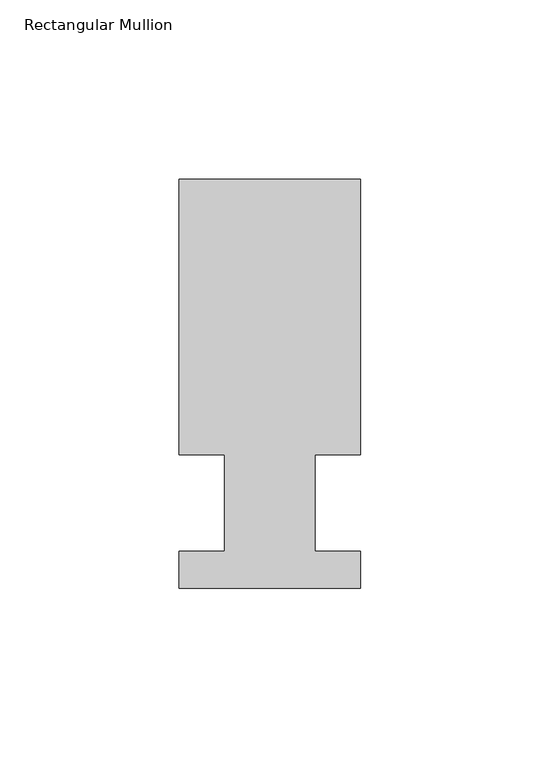
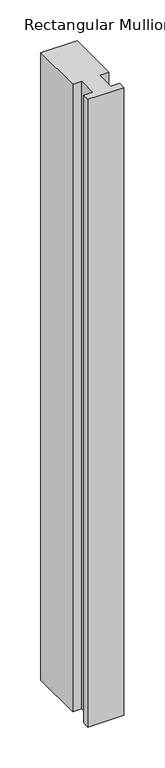
"""IFC4 building model written with IfcOpenShell, lengths in millimetres: member geometry, Rectangular Mullion."""

import ifcopenshell
import ifcopenshell.guid

model = None  # the IFC model being written
_history = None  # IfcOwnerHistory: only IFC2X3 demands one
_inside = {}  # id of a spatial element -> (the spatial element, [elements in it])
_under = {}  # id of a project, library or spatial element -> (it, [spatial elements below it])
_declared = {}  # id of a project -> (the project, [libraries it declares])
_typed = {}  # id of a type object -> (the type object, [elements of that type])
_made_of = {}  # id of a material, layer set ... -> (it, [elements and type objects made of it])


def new_model(schema):
    """Start an empty IFC model of exactly this schema.

    Asked for "IFC4X3", IfcOpenShell would pick the latest addendum, in which some entities
    have other attributes; the version numbers below select the first issue.
    IFC2X3 requires an IfcOwnerHistory on every rooted entity: one is made here for all.
    """
    global model, _history
    if schema == "IFC4X3":
        model = ifcopenshell.file(schema_version=(4, 3, 0, 0))
    else:
        model = ifcopenshell.file(schema=schema)
    _inside.clear()
    _under.clear()
    _declared.clear()
    _typed.clear()
    _made_of.clear()
    _history = None
    if model.schema == "IFC2X3":
        org = make("IfcOrganization", Name="unknown")
        user = make(
            "IfcPersonAndOrganization",
            ThePerson=make("IfcPerson", FamilyName="unknown"),
            TheOrganization=org,
        )
        app = make(
            "IfcApplication",
            ApplicationDeveloper=org,
            Version="unknown",
            ApplicationFullName="unknown",
            ApplicationIdentifier="unknown",
        )
        _history = make(
            "IfcOwnerHistory",
            OwningUser=user,
            OwningApplication=app,
            ChangeAction="ADDED",
            CreationDate=0,
        )
    return model


def make(cls, **values):
    """One entity of the class cls with the attributes given. An attribute that is None is left unset."""
    return model.create_entity(
        cls, **{name: value for name, value in values.items() if value is not None}
    )


def rooted(cls, **values):
    """An entity with a GlobalId (a new one), such as an element, a storey or a relation."""
    return make(cls, GlobalId=ifcopenshell.guid.new(), OwnerHistory=_history, **values)


def si_unit(unit_type, name, prefix=None):
    """IfcSIUnit, for example si_unit("LENGTHUNIT", "METRE", prefix="MILLI")."""
    return make("IfcSIUnit", UnitType=unit_type, Prefix=prefix, Name=name)


def assignment(units):
    """IfcUnitAssignment: the units of a project."""
    return None if units is None else make("IfcUnitAssignment", Units=units)


def point(xyz):
    """IfcCartesianPoint."""
    return None if xyz is None else make("IfcCartesianPoint", Coordinates=xyz)


def direction(xyz):
    """IfcDirection."""
    return None if xyz is None else make("IfcDirection", DirectionRatios=xyz)


def frame(location, z_axis=None, x_axis=None):
    """IfcAxis2Placement3D, a coordinate frame: its origin and axes. An axis left out is left unset."""
    return make(
        "IfcAxis2Placement3D",
        Location=point(location),
        Axis=direction(z_axis),
        RefDirection=direction(x_axis),
    )


def origin():
    """The frame at (0, 0, 0) with its axes left unset."""
    return frame((0.0, 0.0, 0.0))


def place(relative_to, where):
    """IfcLocalPlacement: puts the frame where relative to a parent placement (None: the world)."""
    return make(
        "IfcLocalPlacement", PlacementRelTo=relative_to, RelativePlacement=where
    )


def context(
    kind, dimensions, precision=None, world=None, true_north=None, identifier=None
):
    """IfcGeometricRepresentationContext, for example the 3D "Model" context."""
    return make(
        "IfcGeometricRepresentationContext",
        ContextIdentifier=identifier,
        ContextType=kind,
        CoordinateSpaceDimension=dimensions,
        Precision=precision,
        WorldCoordinateSystem=world,
        TrueNorth=true_north,
    )


def project(units=None, contexts=None):
    """IfcProject with its units and contexts."""
    return rooted(
        "IfcProject",
        Name="project",
        RepresentationContexts=contexts,
        UnitsInContext=assignment(units),
    )


def spatial(cls, under=None, at=None, **own):
    """A site, building, storey or space (cls), placed at a placement, below another one or the project."""
    s = rooted(cls, ObjectPlacement=at, **own)
    if under is not None:
        _under.setdefault(under.id(), (under, []))[1].append(s)
    return s


def polyline(points):
    """IfcPolyline through the points."""
    return make("IfcPolyline", Points=[point(p) for p in points])


def outline(outer, holes=None, kind="AREA"):
    """IfcArbitraryClosedProfileDef: a profile drawn as a closed curve; with holes, ...WithVoids."""
    if holes is None:
        return make("IfcArbitraryClosedProfileDef", ProfileType=kind, OuterCurve=outer)
    return make(
        "IfcArbitraryProfileDefWithVoids",
        ProfileType=kind,
        OuterCurve=outer,
        InnerCurves=holes,
    )


def extrude(swept, where, along, depth):
    """IfcExtrudedAreaSolid: the profile swept, set in the frame where, extruded along a direction by depth."""
    return make(
        "IfcExtrudedAreaSolid",
        SweptArea=swept,
        Position=where,
        ExtrudedDirection=direction(along),
        Depth=depth,
    )


def shape(context_of_items, identifier, shape_type, items):
    """IfcShapeRepresentation: the items that make up one representation, for example the "Body"."""
    return make(
        "IfcShapeRepresentation",
        ContextOfItems=context_of_items,
        RepresentationIdentifier=identifier,
        RepresentationType=shape_type,
        Items=items,
    )


def source(mapping_origin, context_of_items, identifier, shape_type, items):
    """IfcRepresentationMap: a shape defined once, which mapped items show again and again."""
    return make(
        "IfcRepresentationMap",
        MappingOrigin=mapping_origin,
        MappedRepresentation=shape(context_of_items, identifier, shape_type, items),
    )


def transform(
    local_origin,
    x_axis=None,
    y_axis=None,
    z_axis=None,
    scale=None,
    scale2=None,
    scale3=None,
    uniform=True,
):
    """IfcCartesianTransformationOperator3D, or its non-uniform kind. x_axis, y_axis, z_axis: its Axis1, 2, 3."""
    if uniform:
        return make(
            "IfcCartesianTransformationOperator3D",
            Axis1=direction(x_axis),
            Axis2=direction(y_axis),
            LocalOrigin=point(local_origin),
            Scale=scale,
            Axis3=direction(z_axis),
        )
    return make(
        "IfcCartesianTransformationOperator3DnonUniform",
        Axis1=direction(x_axis),
        Axis2=direction(y_axis),
        LocalOrigin=point(local_origin),
        Scale=scale,
        Axis3=direction(z_axis),
        Scale2=scale2,
        Scale3=scale3,
    )


def mapped(mapping_source, mapping_target):
    """IfcMappedItem: shows the shape of a source again, moved by a transform."""
    return make(
        "IfcMappedItem", MappingSource=mapping_source, MappingTarget=mapping_target
    )


def made_of(thing, what):
    """Note that an element or type object is made of a material, layer set ...; save() writes the relation."""
    if what is not None:
        _made_of.setdefault(what.id(), (what, []))[1].append(thing)
    return thing


def element(
    cls,
    number,
    at=None,
    inside=None,
    cuts=None,
    type_object=None,
    material=None,
    context=None,
    identifier="Body",
    shape_type=None,
    held_by="IfcProductDefinitionShape",
    body=None,
    shapes=None,
    **own,
):
    """One element of the class cls, such as IfcWall. Its Tag is "e" and its number.

    at: its placement. inside: the storey or other place that contains it. cuts: it is an
    opening in that element (IfcRelVoidsElement). A single representation is given by context,
    identifier, shape_type and body (its items); several are given by shapes. held_by: the class
    of the entity that holds the representations. save() writes the other relations.
    """
    e = rooted(cls, Tag="e%d" % number, ObjectPlacement=at, **own)
    if body is not None:
        shapes = [shape(context, identifier, shape_type, body)]
    if shapes is not None:
        e.Representation = make(held_by, Representations=shapes)
    if inside is not None:
        _inside.setdefault(inside.id(), (inside, []))[1].append(e)
    if cuts is not None:
        rooted(
            "IfcRelVoidsElement", RelatingBuildingElement=cuts, RelatedOpeningElement=e
        )
    if type_object is not None:
        _typed.setdefault(type_object.id(), (type_object, []))[1].append(e)
    return made_of(e, material)


def aggregate(whole, parts):
    """IfcRelAggregates: a whole, such as a stair, and the parts it consists of."""
    return rooted("IfcRelAggregates", RelatingObject=whole, RelatedObjects=parts)


def save(model, path):
    """Write the relations noted so far, then the file.

    IfcRelAggregates (storeys below a building ...), IfcRelContainedInSpatialStructure (elements
    in a storey), IfcRelDefinesByType, IfcRelAssociatesMaterial and IfcRelDeclares: one each for
    every whole, place, type object, material and project.
    """
    for whole, parts in _under.values():
        aggregate(whole, parts)
    for where, things in _inside.values():
        rooted(
            "IfcRelContainedInSpatialStructure",
            RelatedElements=things,
            RelatingStructure=where,
        )
    for kind, things in _typed.values():
        rooted("IfcRelDefinesByType", RelatedObjects=things, RelatingType=kind)
    for what, things in _made_of.values():
        rooted("IfcRelAssociatesMaterial", RelatedObjects=things, RelatingMaterial=what)
    for by, libraries in _declared.values():
        rooted("IfcRelDeclares", RelatingContext=by, RelatedDefinitions=libraries)
    model.write(path)


def rectangular_mullion_b42dd32a(model_context):
    return source(origin(), model_context, "Body", "SweptSolid", [
        extrude(outline(polyline([(29.7344027, 90.4875), (29.7344027, 13.49375), (17.0326322, 13.49375), (17.0326322, -13.49375), (29.7344027, -13.49375), (29.7344027, -23.8125), (-21.0655973, -23.8125), (-21.0655973, -13.49375), (-8.3655973, -13.49375), (-8.3655973, 13.49375), (-21.0655973, 13.49375), (-21.0655973, 90.4875), (29.7344027, 90.4875)])), frame((0.0, 0.0, -934.6094027), z_axis=(0.0, 0.0, 1.0), x_axis=(1.0, 0.0, 0.0)), (0.0, 0.0, 1.0), 934.6094027),
    ])


if __name__ == "__main__":
    model = new_model("IFC4")
    model_context = context("Model", 3, world=origin())
    ifc_project = project(units=[si_unit("LENGTHUNIT", "METRE", prefix="MILLI")], contexts=[model_context])
    site = spatial("IfcSite", under=ifc_project)
    building = spatial("IfcBuilding", under=site)
    placement = place(None, origin())
    rectangular_mullion_shape = rectangular_mullion_b42dd32a(model_context)
    element("IfcMember", 1, ObjectType="Rectangular Mullion", at=placement, inside=building, context=model_context, shape_type="MappedRepresentation", body=[
        mapped(rectangular_mullion_shape, transform((0.0, 0.0, 0.0), x_axis=(1.0, 0.0, 0.0), y_axis=(0.0, 1.0, 0.0), z_axis=(0.0, 0.0, 1.0))),
    ])
    save(model, "model.ifc")
